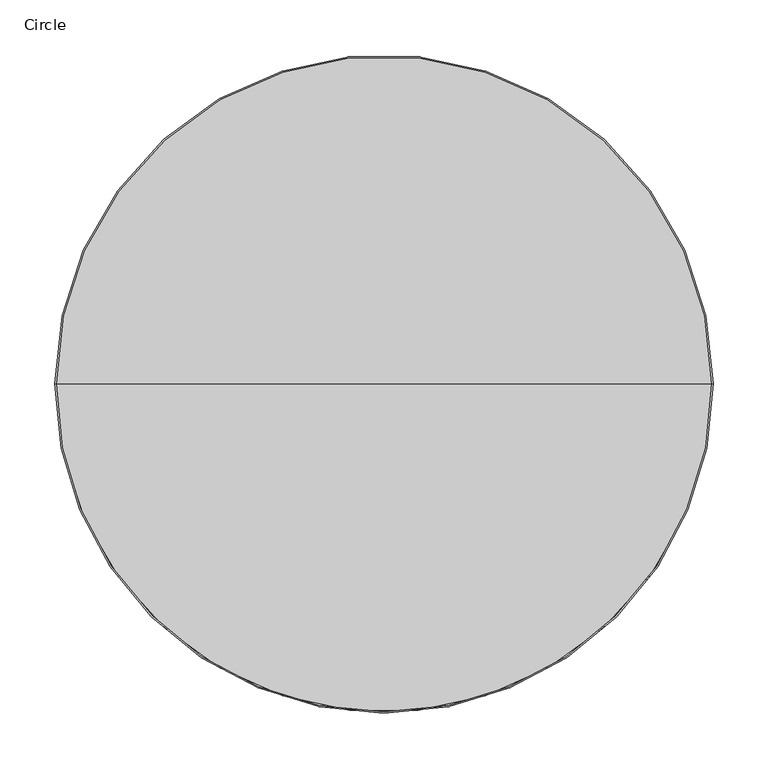
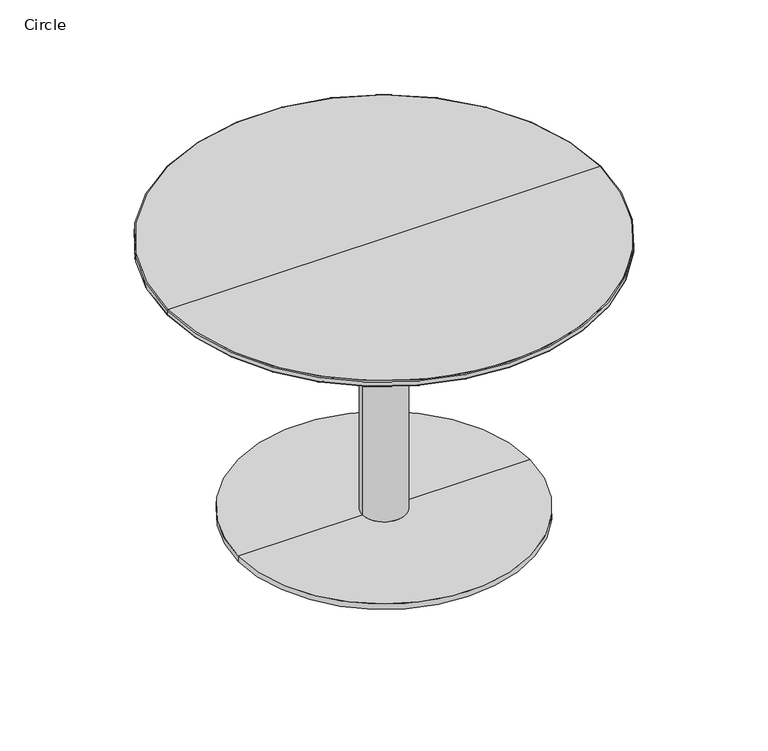
"""IFC4 building model written with IfcOpenShell, lengths in millimetres: furniture geometry, Circle."""

from ifc_helpers import new_model, si_unit, point, frame, origin, place, context, project, spatial, circle_curve, ellipse_curve, trimmed, source, transform, mapped, element, save
from ifc_brep_helpers import plane_surface, cylinder_surface, revolved_surface, advanced_brep


def circle_379db14e(model_context):
    return source(origin(), model_context, "Body", "AdvancedBrep", [
        advanced_brep(
        [(299.638681, 0.0, 400.9840907), (-299.638681, 0.0, 400.9840907), (-298.622681, 0.0, 402.0000907), (298.622681, 0.0, 402.0000907), (299.638681, 0.0, 395.0159695), (-299.638681, 0.0, 395.0159695), (298.622681, 0.0, 393.9999695), (-298.622681, 0.0, 393.9999695), (0.0, 0.0, 393.9999695), (0.0, 0.0, 402.0000907)],
        [
            (0, 1, circle_curve(frame((0.0, 0.0, 400.9840907), z_axis=(0.0, 0.0, 1.0), x_axis=(-1.0, 0.0, 0.0)), 299.638681)),
            (1, 2, circle_curve(frame((-298.622681, 0.0, 400.9840907), z_axis=(0.0, 1.0, 0.0), x_axis=(1.0, 0.0, 0.0)), 1.016)),
            (2, 3, circle_curve(frame((0.0, 0.0, 402.0000907), z_axis=(0.0, 0.0, -1.0), x_axis=(-1.0, 0.0, 0.0)), 298.622681)),
            (3, 0, circle_curve(frame((298.622681, 0.0, 400.9840907), z_axis=(0.0, 1.0, 0.0), x_axis=(-1.0, 0.0, 0.0)), 1.016)),
            (1, 0, circle_curve(frame((0.0, 0.0, 400.9840907), z_axis=(0.0, 0.0, 1.0), x_axis=(-1.0, 0.0, 0.0)), 299.638681)),
            (3, 2, circle_curve(frame((0.0, 0.0, 402.0000907), z_axis=(0.0, 0.0, -1.0), x_axis=(-1.0, 0.0, 0.0)), 298.622681)),
            (4, 5, circle_curve(frame((0.0, 0.0, 395.0159695), z_axis=(0.0, 0.0, 1.0), x_axis=(-1.0, 0.0, 0.0)), 299.638681)),
            (5, 1),
            (0, 4),
            (5, 4, circle_curve(frame((0.0, 0.0, 395.0159695), z_axis=(0.0, 0.0, 1.0), x_axis=(-1.0, 0.0, 0.0)), 299.638681)),
            (6, 7, circle_curve(frame((0.0, 0.0, 393.9999695), z_axis=(0.0, 0.0, 1.0), x_axis=(-1.0, 0.0, 0.0)), 298.622681)),
            (7, 5, circle_curve(frame((-298.622681, 0.0, 395.0159695), z_axis=(0.0, 1.0, 0.0), x_axis=(1.0, 0.0, 0.0)), 1.016)),
            (4, 6, circle_curve(frame((298.622681, 0.0, 395.0159695), z_axis=(0.0, 1.0, 0.0), x_axis=(-1.0, 0.0, 0.0)), 1.016)),
            (7, 6, circle_curve(frame((0.0, 0.0, 393.9999695), z_axis=(0.0, 0.0, 1.0), x_axis=(-1.0, 0.0, 0.0)), 298.622681)),
            (8, 7),
            (6, 8),
            (2, 9),
            (9, 3),
        ],
        [
            revolved_surface(trimmed(ellipse_curve(frame((-298.622681, 0.0, 400.9840907), z_axis=(0.0, -1.0, 0.0), x_axis=(1.0, 0.0, 0.0)), 1.016, 1.016), [point((-298.622681, 0.0, 402.0000907))], [point((-299.638681, 0.0, 400.9840907))], True, "CARTESIAN"), (0.0, 0.0, 421.0500907), (0.0, 0.0, -1.0)),
            cylinder_surface(frame((0.0, 0.0, 421.0500907), z_axis=(0.0, 0.0, -1.0), x_axis=(-1.0, 0.0, 0.0)), 299.638681),
            revolved_surface(trimmed(ellipse_curve(frame((-298.622681, 0.0, 395.0159695), z_axis=(0.0, -1.0, 0.0), x_axis=(1.0, 0.0, 0.0)), 1.016, 1.016), [point((-299.638681, 0.0, 395.0159695))], [point((-298.622681, 0.0, 393.9999695))], True, "CARTESIAN"), (0.0, 0.0, 421.0500907), (0.0, 0.0, -1.0)),
            plane_surface(frame((0.0, 0.0, 393.9999695), z_axis=(0.0, 0.0, -1.0), x_axis=(-1.0, 0.0, 0.0))),
            plane_surface(frame((0.0, 0.0, 402.0000907), z_axis=(0.0, 0.0, 1.0), x_axis=(-1.0, 0.0, 0.0))),
        ],
        [
            (0, [[1, 2, 3, 4]]),
            (0, [[5, -4, 6, -2]]),
            (1, [[7, 8, -1, 9]]),
            (1, [[10, -9, -5, -8]]),
            (2, [[11, 12, -7, 13]]),
            (2, [[14, -13, -10, -12]]),
            (3, [[15, -11, 16]]),
            (3, [[-16, -14, -15]]),
            (4, [[-3, 17, 18]]),
            (4, [[-6, -18, -17]]),
        ],
    ),
        advanced_brep(
        [(100.4511505, 0.0, 394.2776489), (-100.4511505, 0.0, 394.2776489), (0.0, 0.0, 394.2776489), (100.4511505, 0.0, 379.6764526), (-100.4511505, 0.0, 379.6764526), (29.8087463, 0.0, 379.6764526), (-29.8087463, 0.0, 379.6764526), (29.8087463, 0.0, 7.921308), (-29.8087463, 0.0, 7.921308), (201.2946564, 0.0, 7.921308), (-201.2946564, 0.0, 7.921308), (201.2946564, 0.0, 0.0), (-201.2946564, 0.0, 0.0), (0.0, 0.0, 0.0)],
        [
            (0, 1, circle_curve(frame((0.0, 0.0, 394.2776489), z_axis=(0.0, 0.0, 1.0), x_axis=(-1.0, 0.0, 0.0)), 100.4511505)),
            (1, 2),
            (2, 0),
            (1, 0, circle_curve(frame((0.0, 0.0, 394.2776489), z_axis=(0.0, 0.0, 1.0), x_axis=(-1.0, 0.0, 0.0)), 100.4511505)),
            (3, 4, circle_curve(frame((0.0, 0.0, 379.6764526), z_axis=(0.0, 0.0, 1.0), x_axis=(-1.0, 0.0, 0.0)), 100.4511505)),
            (4, 1),
            (0, 3),
            (4, 3, circle_curve(frame((0.0, 0.0, 379.6764526), z_axis=(0.0, 0.0, 1.0), x_axis=(-1.0, 0.0, 0.0)), 100.4511505)),
            (5, 6, circle_curve(frame((0.0, 0.0, 379.6764526), z_axis=(0.0, 0.0, 1.0), x_axis=(-1.0, 0.0, 0.0)), 29.8087463)),
            (6, 4),
            (3, 5),
            (6, 5, circle_curve(frame((0.0, 0.0, 379.6764526), z_axis=(0.0, 0.0, 1.0), x_axis=(-1.0, 0.0, 0.0)), 29.8087463)),
            (7, 8, circle_curve(frame((0.0, 0.0, 7.921308), z_axis=(0.0, 0.0, 1.0), x_axis=(-1.0, 0.0, 0.0)), 29.8087463)),
            (8, 6),
            (5, 7),
            (8, 7, circle_curve(frame((0.0, 0.0, 7.921308), z_axis=(0.0, 0.0, 1.0), x_axis=(-1.0, 0.0, 0.0)), 29.8087463)),
            (9, 10, circle_curve(frame((0.0, 0.0, 7.921308), z_axis=(0.0, 0.0, 1.0), x_axis=(-1.0, 0.0, 0.0)), 201.2946564)),
            (10, 8),
            (7, 9),
            (10, 9, circle_curve(frame((0.0, 0.0, 7.921308), z_axis=(0.0, 0.0, 1.0), x_axis=(-1.0, 0.0, 0.0)), 201.2946564)),
            (11, 12, circle_curve(frame((0.0, 0.0, 0.0), z_axis=(0.0, 0.0, 1.0), x_axis=(-1.0, 0.0, 0.0)), 201.2946564)),
            (12, 10),
            (9, 11),
            (12, 11, circle_curve(frame((0.0, 0.0, 0.0), z_axis=(0.0, 0.0, 1.0), x_axis=(-1.0, 0.0, 0.0)), 201.2946564)),
            (13, 12),
            (11, 13),
        ],
        [
            plane_surface(frame((0.0, 0.0, 394.2776489), z_axis=(0.0, 0.0, 1.0), x_axis=(-1.0, 0.0, 0.0))),
            cylinder_surface(frame((0.0, 0.0, -6.35), z_axis=(0.0, 0.0, -1.0), x_axis=(-1.0, 0.0, 0.0)), 100.4511505),
            plane_surface(frame((0.0, 0.0, 379.6764526), z_axis=(0.0, 0.0, -1.0), x_axis=(-1.0, 0.0, 0.0))),
            cylinder_surface(frame((0.0, 0.0, -6.35), z_axis=(0.0, 0.0, -1.0), x_axis=(-1.0, 0.0, 0.0)), 29.8087463),
            plane_surface(frame((0.0, 0.0, 7.921308), z_axis=(0.0, 0.0, 1.0), x_axis=(-1.0, 0.0, 0.0))),
            cylinder_surface(frame((0.0, 0.0, -6.35), z_axis=(0.0, 0.0, -1.0), x_axis=(-1.0, 0.0, 0.0)), 201.2946564),
            plane_surface(frame((0.0, 0.0, 0.0), z_axis=(0.0, 0.0, -1.0), x_axis=(-1.0, 0.0, 0.0))),
        ],
        [
            (0, [[1, 2, 3]]),
            (0, [[4, -3, -2]]),
            (1, [[5, 6, -1, 7]]),
            (1, [[8, -7, -4, -6]]),
            (2, [[9, 10, -5, 11]]),
            (2, [[12, -11, -8, -10]]),
            (3, [[13, 14, -9, 15]]),
            (3, [[16, -15, -12, -14]]),
            (4, [[17, 18, -13, 19]]),
            (4, [[20, -19, -16, -18]]),
            (5, [[21, 22, -17, 23]]),
            (5, [[24, -23, -20, -22]]),
            (6, [[25, -21, 26]]),
            (6, [[-26, -24, -25]]),
        ],
    ),
    ])


if __name__ == "__main__":
    model = new_model("IFC4")
    model_context = context("Model", 3, world=origin())
    ifc_project = project(units=[si_unit("LENGTHUNIT", "METRE", prefix="MILLI")], contexts=[model_context])
    site = spatial("IfcSite", under=ifc_project)
    building = spatial("IfcBuilding", under=site)
    placement = place(None, origin())
    ifc_circle_shape = circle_379db14e(model_context)
    element("IfcFurniture", 1, ObjectType="Circle", at=placement, inside=building, context=model_context, shape_type="MappedRepresentation", body=[
        mapped(ifc_circle_shape, transform((0.0, 0.0, 0.0), x_axis=(1.0, 0.0, 0.0), y_axis=(0.0, 1.0, 0.0), z_axis=(0.0, 0.0, 1.0))),
    ])
    save(model, "model.ifc")
